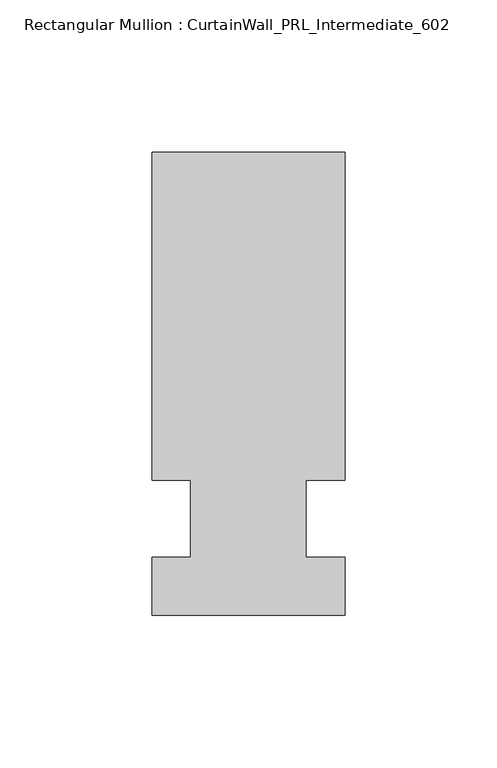
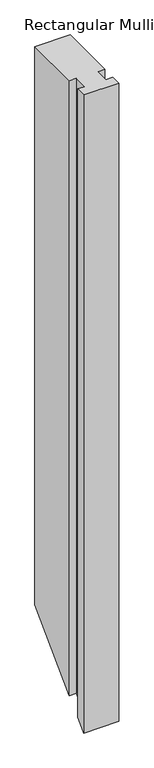
"""IFC4 building model written with IfcOpenShell, lengths in millimetres: member geometry, Rectangular Mullion : CurtainWall_PRL_Intermediate_602."""

from ifc_helpers import new_model, si_unit, origin, place, context, project, spatial, faceted_brep, source, transform, mapped, element, save


def rectangular_mullion_curtainwall_prl_intermediate_602_e0e95ccb(model_context):
    return source(origin(), model_context, "Body", "Brep", [
        faceted_brep([(-19.05, 12.7, 0.0), (-19.05, -12.7, 0.0), (-31.75, -12.7, 0.0), (-31.75, -31.75, 0.0), (31.75, -31.75, 0.0), (31.75, -12.7, 0.0), (19.05, -12.7, 0.0), (19.05, 12.7, 0.0), (31.75, 12.7, 0.0), (31.75, 120.65, 0.0), (-31.75, 120.65, 0.0), (-31.75, 12.7, 0.0), (-19.05, 12.7, -1174.75), (-19.05, -12.7, -1200.15), (-31.75, -12.7, -1200.15), (-31.75, -31.75, -1219.2), (31.75, -31.75, -1219.2), (31.75, -12.7, -1200.15), (19.05, -12.7, -1200.15), (19.05, 12.7, -1174.75), (31.75, 12.7, -1174.75), (31.75, 120.65, -1066.8), (-31.75, 120.65, -1066.8), (-31.75, 12.7, -1174.75)], [[[0, 1, 2, 3, 4, 5, 6, 7, 8, 9, 10, 11]], [[1, 0, 12, 13]], [[2, 1, 13, 14]], [[3, 2, 14, 15]], [[4, 3, 15, 16]], [[5, 4, 16, 17]], [[6, 5, 17, 18]], [[7, 6, 18, 19]], [[8, 7, 19, 20]], [[9, 8, 20, 21]], [[10, 9, 21, 22]], [[11, 10, 22, 23]], [[0, 11, 23, 12]], [[12, 23, 22, 21, 20, 19, 18, 17, 16, 15, 14, 13]]]),
    ])


if __name__ == "__main__":
    model = new_model("IFC4")
    model_context = context("Model", 3, world=origin())
    ifc_project = project(units=[si_unit("LENGTHUNIT", "METRE", prefix="MILLI")], contexts=[model_context])
    site = spatial("IfcSite", under=ifc_project)
    building = spatial("IfcBuilding", under=site)
    placement = place(None, origin())
    rectangular_mullion_curtainwall_prl_intermediate_602_shape = rectangular_mullion_curtainwall_prl_intermediate_602_e0e95ccb(model_context)
    element("IfcMember", 1, ObjectType="Rectangular Mullion : CurtainWall_PRL_Intermediate_602", at=placement, inside=building, context=model_context, shape_type="MappedRepresentation", body=[
        mapped(rectangular_mullion_curtainwall_prl_intermediate_602_shape, transform((0.0, 0.0, 0.0), x_axis=(1.0, 0.0, 0.0), y_axis=(0.0, 1.0, 0.0), z_axis=(0.0, 0.0, 1.0))),
    ])
    save(model, "model.ifc")
